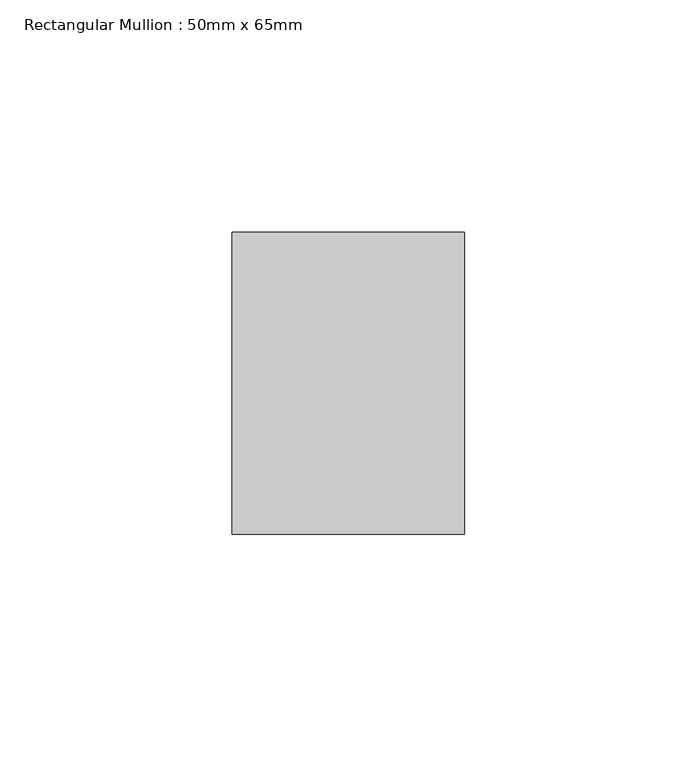
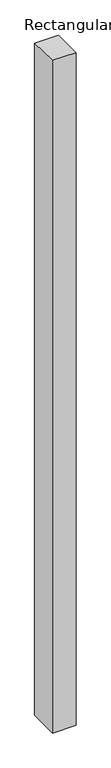
"""IFC4 building model written with IfcOpenShell, lengths in millimetres: member geometry, Rectangular Mullion : 50mm x 65mm."""

from ifc_helpers import new_model, si_unit, origin, place, context, project, spatial, faceted_brep, source, transform, mapped, element, save


def rectangular_mullion_50mm_x_65mm_2fbd5a96(model_context):
    return source(origin(), model_context, "Body", "Brep", [
        faceted_brep([(-25.0, 32.5, -0.4966783), (25.0, 32.5, -0.4966771), (25.0, 32.5, -1499.5922695), (-25.0, 32.5, -1499.5922685), (-25.0, -32.5, 0.4966771), (-25.0, -32.5, -1500.4069203), (25.0, -32.5, 0.4966783), (25.0, -32.5, -1500.4069213)], [[[0, 1, 2, 3]], [[4, 0, 3, 5]], [[6, 4, 5, 7]], [[1, 6, 7, 2]], [[1, 0, 4, 6]], [[2, 7, 5, 3]]]),
    ])


if __name__ == "__main__":
    model = new_model("IFC4")
    model_context = context("Model", 3, world=origin())
    ifc_project = project(units=[si_unit("LENGTHUNIT", "METRE", prefix="MILLI")], contexts=[model_context])
    site = spatial("IfcSite", under=ifc_project)
    building = spatial("IfcBuilding", under=site)
    placement = place(None, origin())
    rectangular_mullion_50mm_x_65mm_shape = rectangular_mullion_50mm_x_65mm_2fbd5a96(model_context)
    element("IfcMember", 1, ObjectType="Rectangular Mullion : 50mm x 65mm", at=placement, inside=building, context=model_context, shape_type="MappedRepresentation", body=[
        mapped(rectangular_mullion_50mm_x_65mm_shape, transform((0.0, 0.0, 0.0), x_axis=(1.0, 0.0, 0.0), y_axis=(0.0, 1.0, 0.0), z_axis=(0.0, 0.0, 1.0))),
    ])
    save(model, "model.ifc")
